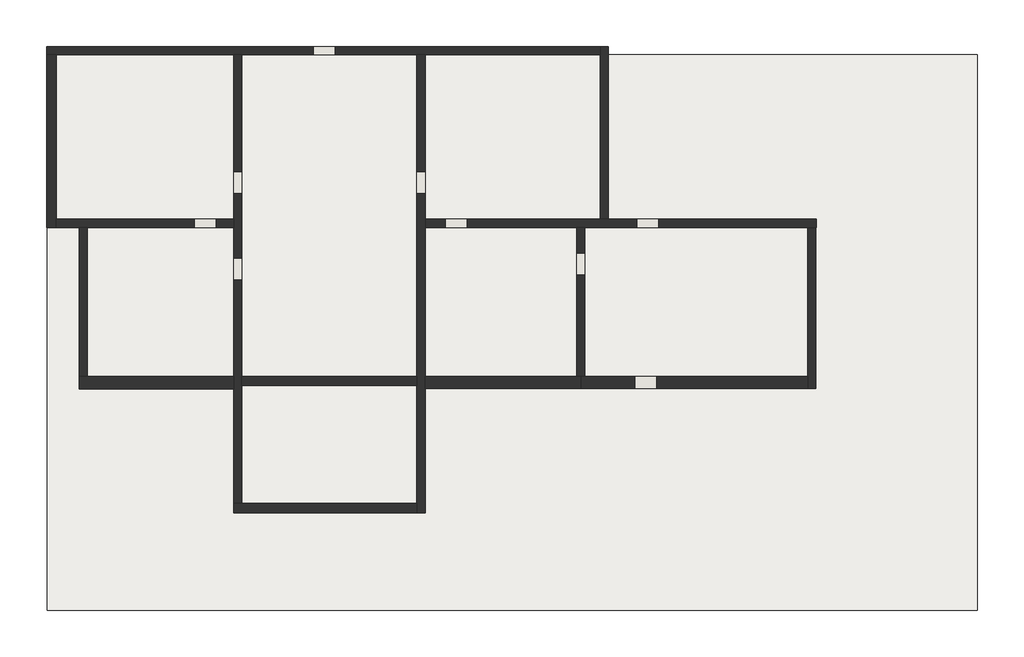
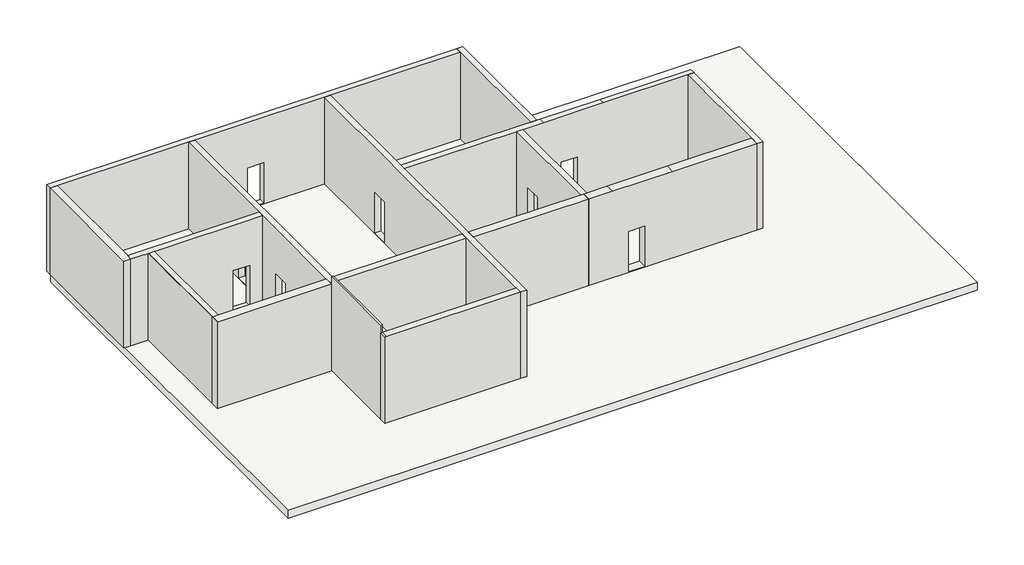
# One storey: 15 walls, 1 slab.
"""IFC4 building model written with IfcOpenShell, lengths in millimetres."""

from ifc_helpers import new_model, si_unit, frame, origin, origin_with_axes, place, context, project, spatial, polyline, outline, extrude, faceted_brep, element, save

model = new_model("IFC4")

# Units and contexts
model_context = context("Model", 3, world=origin())
ifc_project = project(units=[si_unit("LENGTHUNIT", "METRE", prefix="MILLI")], contexts=[model_context])

# Site, building, storey
site = spatial("IfcSite", under=ifc_project)
building = spatial("IfcBuilding", under=site)
storey = spatial("IfcBuildingStorey", under=building, Elevation=0.0)

# Slab
placement = place(None, origin())
element("IfcSlab", 1, ObjectType="Generic Floor - 400mm", at=placement, inside=storey, context=model_context, shape_type="SweptSolid", body=[
    extrude(outline(polyline([(19541.6424969, 9414.5205816), (19541.6424969, -11130.4794184), (-14837.9347708, -11130.4794184), (-14837.9347708, 9414.5205816), (19541.6424969, 9414.5205816)])), frame((0.0, 0.0, -400.0), z_axis=(0.0, 0.0, 1.0), x_axis=(1.0, 0.0, 0.0)), (0.0, 0.0, 1.0), 400.0),
])

# Walls
element("IfcWall", 2, ObjectType="330", at=placement, inside=storey, context=model_context, shape_type="SweptSolid", body=[
    extrude(outline(polyline([(-1172.9311526, -2825.4798833), (-7647.8940556, -2825.4798833), (-7647.8940556, -2495.4798833), (-1172.9311526, -2495.4798833), (-1172.9311526, -2825.4798833)])), origin_with_axes(), (0.0, 0.0, 1.0), 4571.0),
])
element("IfcWall", 3, ObjectType="350", at=placement, inside=storey, context=model_context, shape_type="Brep", body=[
    faceted_brep([(-14862.9347708, 9414.5708463, 0.0), (-14862.9347708, 3024.7971305, 0.0), (-14862.9347708, 3024.7971305, 4571.0), (-14862.9347708, 9414.5708463, 4571.0), (-14512.9347708, 9414.5708463, 0.0), (-14512.9347708, 9414.5708463, 4571.0), (-14512.9347708, 3324.7971305, 4571.0), (-14512.9347708, 3024.7971305, 4571.0), (-14512.9347708, 3024.7971305, 0.0), (-14512.9347708, 3324.7971305, 0.0)], [[[0, 1, 2, 3]], [[4, 5, 6, 7, 8, 9]], [[1, 0, 4, 9, 8]], [[0, 3, 5, 4]], [[2, 1, 8, 7]], [[3, 2, 7, 6, 5]]]),
])
element("IfcWall", 4, ObjectType="350", at=placement, inside=storey, context=model_context, shape_type="Brep", body=[
    faceted_brep([(-7947.8940556, -7525.4160818, 0.0), (-1172.9311526, -7525.4160818, 0.0), (-1172.9311526, -7525.4160818, 4571.0), (-7647.8940556, -7525.4160818, 4571.0), (-7857.8940556, -7525.4160818, 4571.0), (-7947.8940556, -7525.4160818, 4571.0), (-7947.8940556, -7525.4160818, 38.0), (-7947.8940556, -7175.4160818, 0.0), (-7947.8940556, -7175.4160818, 4571.0), (-7857.8940556, -7175.4160818, 4571.0), (-7647.8940556, -7175.4160818, 4571.0), (-1172.9311526, -7175.4160818, 4571.0), (-1172.9311526, -7175.4160818, 0.0), (-7647.8940556, -7175.4160818, 0.0), (-7947.8940556, -7415.0524689, 4571.0)], [[[0, 1, 2, 3, 4, 5, 6]], [[7, 8, 9, 10, 11, 12, 13]], [[1, 0, 7, 13, 12]], [[2, 1, 12, 11]], [[0, 6, 5, 14, 8, 7]], [[5, 4, 9, 8, 14]], [[4, 3, 2, 11, 10, 9]]]),
])
element("IfcWall", 5, ObjectType="450", at=placement, inside=storey, context=model_context, shape_type="Brep", body=[
    faceted_brep([(-13657.9211622, -2945.4798833, 0.0), (-7947.8940556, -2945.4798833, 0.0), (-7947.8940556, -2945.4798833, 4571.0), (-13631.3360118, -2945.4798833, 4571.0), (-13657.9211622, -2945.4798833, 4571.0), (-13657.9211622, -2495.4798833, 0.0), (-13657.9211622, -2495.4798833, 4571.0), (-13631.3360118, -2495.4798833, 4571.0), (-13357.9211622, -2495.4798833, 4571.0), (-7947.8940556, -2495.4798833, 4571.0), (-7947.8940556, -2495.4798833, 0.0), (-13357.9211622, -2495.4798833, 0.0)], [[[0, 1, 2, 3, 4]], [[5, 6, 7, 8, 9, 10, 11]], [[1, 0, 5, 11, 10]], [[0, 4, 6, 5]], [[2, 1, 10, 9]], [[4, 3, 7, 6]], [[3, 2, 9, 8, 7]]]),
])
element("IfcWall", 6, ObjectType="450", at=placement, inside=storey, context=model_context, shape_type="Brep", body=[
    faceted_brep([(-872.9311526, -2940.3710196, 0.0), (4878.6827202, -2940.3710196, 0.0), (4878.6827202, -2940.3710196, 4571.0), (-872.9311526, -2940.3710196, 4571.0), (-872.9311526, -2490.3710196, 0.0), (-872.9311526, -2490.3710196, 4571.0), (4728.6827202, -2490.3710196, 4571.0), (4878.6827202, -2490.3710196, 4571.0), (4878.6827202, -2490.3710196, 0.0), (4728.6827202, -2490.3710196, 0.0)], [[[0, 1, 2, 3]], [[4, 5, 6, 7, 8, 9]], [[1, 0, 4, 9, 8]], [[2, 1, 8, 7]], [[0, 3, 5, 4]], [[3, 2, 7, 6, 5]]]),
])
element("IfcWall", 7, ObjectType="450", at=placement, inside=storey, context=model_context, shape_type="Brep", body=[
    faceted_brep([(4878.6827202, -2940.3710196, 0.0), (13268.5990583, -2940.3710196, 0.0), (13268.5990583, -2940.3710196, 4571.0), (9052.0317504, -2940.3710196, 4571.0), (6067.8916984, -2940.3710196, 4571.0), (4878.6827202, -2940.3710196, 4571.0), (7685.1827202, -2940.3710196, 38.0), (6872.1827202, -2940.3710196, 38.0), (6872.1827202, -2940.3710196, 2172.0), (7685.1827202, -2940.3710196, 2172.0), (4878.6827202, -2490.3710196, 0.0), (4878.6827202, -2490.3710196, 4571.0), (5028.6827202, -2490.3710196, 4571.0), (6067.8916984, -2490.3710196, 4571.0), (9052.0317504, -2490.3710196, 4571.0), (13268.5936318, -2490.3710196, 4571.0), (13268.5936318, -2490.3710196, 0.0), (5028.6827202, -2490.3710196, 0.0), (7685.1827202, -2490.3710196, 38.0), (7685.1827202, -2490.3710196, 2172.0), (6872.1827202, -2490.3710196, 2172.0), (6872.1827202, -2490.3710196, 38.0)], [[[0, 1, 2, 3, 4, 5], [6, 7, 8, 9]], [[10, 11, 12, 13, 14, 15, 16, 17], [18, 19, 20, 21]], [[1, 0, 10, 17, 16]], [[0, 5, 11, 10]], [[2, 1, 16, 15]], [[7, 6, 18, 21]], [[8, 7, 21, 20]], [[9, 8, 20, 19]], [[6, 9, 19, 18]], [[4, 3, 14, 13]], [[5, 4, 13, 12, 11]], [[3, 2, 15, 14]]]),
])
element("IfcWall", 8, ObjectType="Generic - 300mm", at=placement, inside=storey, context=model_context, shape_type="Brep", body=[
    faceted_brep([(-14862.9347708, 9414.5708463, 0.0), (-14512.9347708, 9414.5708463, 0.0), (-7947.8940556, 9414.5708463, 0.0), (-7647.8940556, 9414.5708463, 0.0), (-1172.9311526, 9414.5708463, 0.0), (-872.9311526, 9414.5708463, 0.0), (5602.0317504, 9414.5708463, 0.0), (5602.0317504, 9414.5708463, 4571.0), (-872.9311526, 9414.5708463, 4571.0), (-1172.9311526, 9414.5708463, 4571.0), (-14512.9347708, 9414.5708463, 4571.0), (-14862.9347708, 9414.5708463, 4571.0), (-4191.3940556, 9414.5708463, 38.0), (-5004.3940556, 9414.5708463, 38.0), (-5004.3940556, 9414.5708463, 2172.0), (-4191.3940556, 9414.5708463, 2172.0), (-14862.9347708, 9714.5708463, 0.0), (-14862.9347708, 9714.5708463, 4571.0), (5602.0317504, 9714.5708463, 4571.0), (5602.0317504, 9714.5708463, 0.0), (-4191.3940556, 9714.5708463, 38.0), (-4191.3940556, 9714.5708463, 2172.0), (-5004.3940556, 9714.5708463, 2172.0), (-5004.3940556, 9714.5708463, 38.0)], [[[0, 1, 2, 3, 4, 5, 6, 7, 8, 9, 10, 11], [12, 13, 14, 15]], [[16, 17, 18, 19], [20, 21, 22, 23]], [[6, 5, 4, 3, 2, 1, 0, 16, 19]], [[0, 11, 17, 16]], [[7, 6, 19, 18]], [[13, 12, 20, 23]], [[14, 13, 23, 22]], [[15, 14, 22, 21]], [[12, 15, 21, 20]], [[11, 10, 9, 8, 7, 18, 17]]]),
])
element("IfcWall", 9, ObjectType="Generic - 300mm", at=placement, inside=storey, context=model_context, shape_type="Brep", body=[
    faceted_brep([(-14512.9347708, 3024.7971305, 0.0), (-13657.9211622, 3024.7971305, 0.0), (-13357.9211622, 3024.7971305, 0.0), (-7947.8940556, 3024.7971305, 0.0), (-7947.8940556, 3024.7971305, 4571.0), (-13357.9211622, 3024.7971305, 4571.0), (-13657.9211622, 3024.7971305, 4571.0), (-14512.9347708, 3024.7971305, 4571.0), (-9404.3940556, 3024.7971305, 38.0), (-9404.3940556, 3024.7971305, 2172.0), (-8591.3940556, 3024.7971305, 2172.0), (-8591.3940556, 3024.7971305, 38.0), (-14512.9347708, 3324.7971305, 0.0), (-14512.9347708, 3324.7971305, 4571.0), (-7947.8940556, 3324.7971305, 4571.0), (-7947.8940556, 3324.7971305, 0.0), (-9404.3940556, 3324.7971305, 38.0), (-8591.3940556, 3324.7971305, 38.0), (-8591.3940556, 3324.7971305, 2172.0), (-9404.3940556, 3324.7971305, 2172.0)], [[[0, 1, 2, 3, 4, 5, 6, 7], [8, 9, 10, 11]], [[12, 13, 14, 15], [16, 17, 18, 19]], [[3, 2, 1, 0, 12, 15]], [[0, 7, 13, 12]], [[4, 3, 15, 14]], [[17, 16, 8, 11]], [[18, 17, 11, 10]], [[19, 18, 10, 9]], [[16, 19, 9, 8]], [[7, 6, 5, 4, 14, 13]]]),
])
element("IfcWall", 10, ObjectType="Generic - 300mm", at=placement, inside=storey, context=model_context, shape_type="Brep", body=[
    faceted_brep([(-7647.8940556, -7175.4160818, 0.0), (-7647.8940556, -2825.4798833, 0.0), (-7647.8940556, -2495.4798833, 0.0), (-7647.8940556, 9414.5708463, 0.0), (-7647.8940556, 9414.5708463, 4571.0), (-7647.8940556, -2495.4798833, 4571.0), (-7647.8940556, -2825.4798833, 4571.0), (-7647.8940556, -7175.4160818, 4571.0), (-7647.8940556, 5081.2971305, 38.0), (-7647.8940556, 4268.2971305, 38.0), (-7647.8940556, 4268.2971305, 2172.0), (-7647.8940556, 5081.2971305, 2172.0), (-7647.8940556, 1881.2971305, 38.0), (-7647.8940556, 1068.2971305, 38.0), (-7647.8940556, 1068.2971305, 2172.0), (-7647.8940556, 1881.2971305, 2172.0), (-7947.8940556, 9414.5708463, 0.0), (-7947.8940556, 3324.7971305, 0.0), (-7947.8940556, 3024.7971305, 0.0), (-7947.8940556, -2495.4798833, 0.0), (-7947.8940556, -2945.4798833, 0.0), (-7947.8940556, -7175.4160818, 0.0), (-7947.8940556, -7175.4160818, 4571.0), (-7947.8940556, -7175.4160818, 4971.0), (-7947.8940556, -2945.4798833, 4971.0), (-7947.8940556, -2945.4798833, 4571.0), (-7947.8940556, -2495.4798833, 4571.0), (-7947.8940556, 3024.7971305, 4571.0), (-7947.8940556, 3324.7971305, 4571.0), (-7947.8940556, 9414.5708463, 4571.0), (-7947.8940556, 4268.2971305, 38.0), (-7947.8940556, 5081.2971305, 38.0), (-7947.8940556, 5081.2971305, 2172.0), (-7947.8940556, 4268.2971305, 2172.0), (-7947.8940556, 1068.2971305, 38.0), (-7947.8940556, 1881.2971305, 38.0), (-7947.8940556, 1881.2971305, 2172.0), (-7947.8940556, 1068.2971305, 2172.0), (-7857.8940556, -7175.4160818, 4971.0), (-7857.8940556, -2945.4798833, 4971.0), (-7857.8940556, -7175.4160818, 4571.0), (-7857.8940556, -2945.4798833, 4571.0)], [[[0, 1, 2, 3, 4, 5, 6, 7], [8, 9, 10, 11], [12, 13, 14, 15]], [[16, 17, 18, 19, 20, 21, 22, 23, 24, 25, 26, 27, 28, 29], [30, 31, 32, 33], [34, 35, 36, 37]], [[3, 2, 1, 0, 21, 20, 19, 18, 17, 16]], [[24, 23, 38, 39]], [[3, 16, 29, 4]], [[23, 22, 21, 0, 7, 40, 38]], [[41, 39, 38, 40]], [[39, 41, 25, 24]], [[9, 8, 31, 30]], [[10, 9, 30, 33]], [[11, 10, 33, 32]], [[8, 11, 32, 31]], [[13, 12, 35, 34]], [[14, 13, 34, 37]], [[15, 14, 37, 36]], [[12, 15, 36, 35]], [[25, 41, 40, 7, 6, 5, 4, 29, 28, 27, 26]]]),
])
element("IfcWall", 11, ObjectType="Generic - 300mm", at=placement, inside=storey, context=model_context, shape_type="Brep", body=[
    faceted_brep([(-13657.9211622, 3024.7971305, 0.0), (-13657.9211622, -2495.4798833, 0.0), (-13657.9211622, -2495.4798833, 4571.0), (-13657.9211622, 3024.7971305, 4571.0), (-13357.9211622, 3024.7971305, 0.0), (-13357.9211622, 3024.7971305, 4571.0), (-13357.9211622, -2495.4798833, 4571.0), (-13357.9211622, -2495.4798833, 0.0), (-13631.3360118, -2495.4798833, 4571.0), (-13631.3360118, 3024.7971305, 4571.0), (-13631.3360118, 1714.5708463, 4571.0)], [[[0, 1, 2, 3]], [[4, 5, 6, 7]], [[1, 0, 4, 7]], [[2, 1, 7, 6, 8]], [[0, 3, 9, 5, 4]], [[3, 2, 8, 10, 9]], [[8, 6, 5, 9, 10]]]),
])
element("IfcWall", 12, ObjectType="Generic - 300mm", at=placement, inside=storey, context=model_context, shape_type="Brep", body=[
    faceted_brep([(13575.0508513, 3324.7971305, 0.0), (5902.0317504, 3324.7971305, 0.0), (5602.0317504, 3324.7971305, 0.0), (-872.9311526, 3324.7971305, 0.0), (-872.9311526, 3324.7971305, 4571.0), (5602.0317504, 3324.7971305, 4571.0), (5902.0317504, 3324.7971305, 4571.0), (6067.8916984, 3324.7971305, 4571.0), (9052.0317504, 3324.7971305, 4571.0), (13575.0508513, 3324.7971305, 4571.0), (683.5688474, 3324.7971305, 38.0), (683.5688474, 3324.7971305, 2172.0), (-129.4311526, 3324.7971305, 2172.0), (-129.4311526, 3324.7971305, 38.0), (6945.5317504, 3324.7971305, 38.0), (7758.5317504, 3324.7971305, 38.0), (7758.5317504, 3324.7971305, 2172.0), (6945.5317504, 3324.7971305, 2172.0), (13575.0508513, 3024.7971305, 0.0), (13575.0508513, 3024.7971305, 4571.0), (13568.5271249, 3024.7971305, 4571.0), (13268.5271249, 3024.7971305, 4571.0), (9052.0317504, 3024.7971305, 4571.0), (6067.8916984, 3024.7971305, 4571.0), (5028.6827202, 3024.7971305, 4571.0), (4728.6827202, 3024.7971305, 4571.0), (-872.9311526, 3024.7971305, 4571.0), (-872.9311526, 3024.7971305, 0.0), (4728.6827202, 3024.7971305, 0.0), (5028.6827202, 3024.7971305, 0.0), (13268.5271249, 3024.7971305, 0.0), (13568.5271249, 3024.7971305, 0.0), (683.5688474, 3024.7971305, 38.0), (-129.4311526, 3024.7971305, 38.0), (-129.4311526, 3024.7971305, 2172.0), (683.5688474, 3024.7971305, 2172.0), (6945.5317504, 3024.7971305, 38.0), (6945.5317504, 3024.7971305, 2172.0), (7758.5317504, 3024.7971305, 2172.0), (7758.5317504, 3024.7971305, 38.0)], [[[0, 1, 2, 3, 4, 5, 6, 7, 8, 9], [10, 11, 12, 13], [14, 15, 16, 17]], [[18, 19, 20, 21, 22, 23, 24, 25, 26, 27, 28, 29, 30, 31], [32, 33, 34, 35], [36, 37, 38, 39]], [[3, 2, 1, 0, 18, 31, 30, 29, 28, 27]], [[0, 9, 19, 18]], [[4, 3, 27, 26]], [[33, 32, 10, 13]], [[34, 33, 13, 12]], [[35, 34, 12, 11]], [[32, 35, 11, 10]], [[15, 14, 36, 39]], [[16, 15, 39, 38]], [[17, 16, 38, 37]], [[14, 17, 37, 36]], [[8, 7, 23, 22]], [[7, 6, 5, 4, 26, 25, 24, 23]], [[9, 8, 22, 21, 20, 19]]]),
])
element("IfcWall", 13, ObjectType="Generic - 300mm", at=placement, inside=storey, context=model_context, shape_type="Brep", body=[
    faceted_brep([(-1172.9311526, 9414.5708463, 0.0), (-1172.9311526, -2495.4798833, 0.0), (-1172.9311526, -2825.4798833, 0.0), (-1172.9311526, -7175.4160818, 0.0), (-1172.9311526, -7525.4160818, 0.0), (-1172.9311526, -7525.4160818, 38.0), (-1172.9311526, -7525.4160818, 4571.0), (-1172.9311526, -7426.294775, 4571.0), (-1172.9311526, -7175.4160818, 4571.0), (-1172.9311526, -2825.4798833, 4571.0), (-1172.9311526, -2495.4798833, 4571.0), (-1172.9311526, 9414.5708463, 4571.0), (-1172.9311526, 5081.2971305, 38.0), (-1172.9311526, 5081.2971305, 2172.0), (-1172.9311526, 4268.2971305, 2172.0), (-1172.9311526, 4268.2971305, 38.0), (-872.9311526, 9414.5708463, 0.0), (-872.9311526, 9414.5708463, 4571.0), (-872.9311526, 3324.7971305, 4571.0), (-872.9311526, 3024.7971305, 4571.0), (-872.9311526, -2490.3710196, 4571.0), (-872.9311526, -2940.3710196, 4571.0), (-872.9311526, -7426.294775, 4571.0), (-872.9311526, -7525.4160818, 4571.0), (-872.9311526, -7525.4160818, 38.0), (-872.9311526, -7525.4160818, 0.0), (-872.9311526, -2940.3710196, 0.0), (-872.9311526, -2490.3710196, 0.0), (-872.9311526, 3024.7971305, 0.0), (-872.9311526, 3324.7971305, 0.0), (-872.9311526, 5081.2971305, 38.0), (-872.9311526, 4268.2971305, 38.0), (-872.9311526, 4268.2971305, 2172.0), (-872.9311526, 5081.2971305, 2172.0)], [[[0, 1, 2, 3, 4, 5, 6, 7, 8, 9, 10, 11], [12, 13, 14, 15]], [[16, 17, 18, 19, 20, 21, 22, 23, 24, 25, 26, 27, 28, 29], [30, 31, 32, 33]], [[4, 3, 2, 1, 0, 16, 29, 28, 27, 26, 25]], [[6, 5, 4, 25, 24, 23]], [[0, 11, 17, 16]], [[31, 30, 12, 15]], [[32, 31, 15, 14]], [[33, 32, 14, 13]], [[30, 33, 13, 12]], [[11, 10, 9, 8, 7, 6, 23, 22, 21, 20, 19, 18, 17]]]),
])
element("IfcWall", 14, ObjectType="Generic - 300mm", at=placement, inside=storey, context=model_context, shape_type="Brep", body=[
    faceted_brep([(13268.5271249, 3024.7971305, 0.0), (13268.5936318, -2490.3710196, 0.0), (13268.5990583, -2940.3710196, 0.0), (13268.5990583, -2940.3710196, 4571.0), (13268.5936318, -2490.3710196, 4571.0), (13268.5271249, 3024.7971305, 4571.0), (13568.5271249, 3024.7971305, 0.0), (13568.5271249, 3024.7971305, 4571.0), (13568.5990584, -2940.3710196, 4571.0), (13568.5990584, -2940.3710196, 0.0)], [[[0, 1, 2, 3, 4, 5]], [[6, 7, 8, 9]], [[2, 1, 0, 6, 9]], [[0, 5, 7, 6]], [[3, 2, 9, 8]], [[5, 4, 3, 8, 7]]]),
])
element("IfcWall", 15, ObjectType="Generic - 300mm", at=placement, inside=storey, context=model_context, shape_type="Brep", body=[
    faceted_brep([(5028.6827202, -2490.3710196, 0.0), (5028.6827202, 3024.7971305, 0.0), (5028.6827202, 3024.7971305, 4571.0), (5028.6827202, -2490.3710196, 4571.0), (5028.6827202, 1268.2971305, 38.0), (5028.6827202, 1268.2971305, 2172.0), (5028.6827202, 2081.2971305, 2172.0), (5028.6827202, 2081.2971305, 38.0), (4728.6827202, -2490.3710196, 0.0), (4728.6827202, -2490.3710196, 4571.0), (4728.6827202, 3024.7971305, 4571.0), (4728.6827202, 3024.7971305, 0.0), (4728.6827202, 1268.2971305, 38.0), (4728.6827202, 2081.2971305, 38.0), (4728.6827202, 2081.2971305, 2172.0), (4728.6827202, 1268.2971305, 2172.0), (4878.6827202, -2490.3710196, 0.0), (4878.6827202, -2490.3710196, 4571.0)], [[[0, 1, 2, 3], [4, 5, 6, 7]], [[8, 9, 10, 11], [12, 13, 14, 15]], [[1, 0, 16, 8, 11]], [[2, 1, 11, 10]], [[0, 3, 17, 9, 8, 16]], [[13, 12, 4, 7]], [[14, 13, 7, 6]], [[15, 14, 6, 5]], [[12, 15, 5, 4]], [[3, 2, 10, 9, 17]]]),
])
element("IfcWall", 16, ObjectType="Generic - 300mm", at=placement, inside=storey, context=model_context, shape_type="Brep", body=[
    faceted_brep([(5902.0317504, 3324.7971305, 0.0), (5902.0317504, 9714.5708463, 0.0), (5902.0317504, 9714.5708463, 4571.0), (5902.0317504, 9688.705225, 4571.0), (5902.0317504, 9388.705225, 4571.0), (5902.0317504, 6124.7971305, 4571.0), (5902.0317504, 5824.7971305, 4571.0), (5902.0317504, 3324.7971305, 4571.0), (5602.0317504, 3324.7971305, 0.0), (5602.0317504, 3324.7971305, 4571.0), (5602.0317504, 9414.5708463, 4571.0), (5602.0317504, 9714.5708463, 4571.0), (5602.0317504, 9714.5708463, 0.0), (5602.0317504, 9414.5708463, 0.0)], [[[0, 1, 2, 3, 4, 5, 6, 7]], [[8, 9, 10, 11, 12, 13]], [[1, 0, 8, 13, 12]], [[0, 7, 9, 8]], [[2, 1, 12, 11]], [[7, 6, 5, 4, 3, 2, 11, 10, 9]]]),
])

save(model, "model.ifc")
